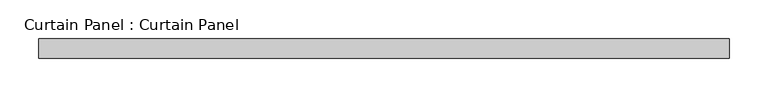
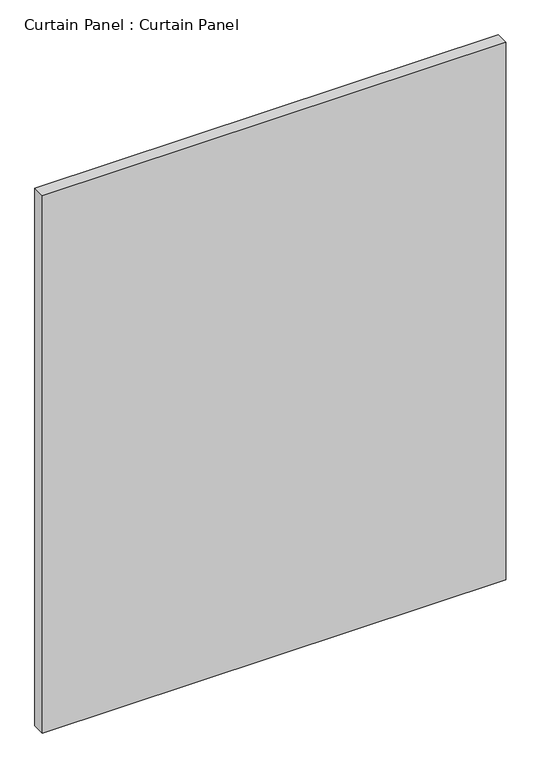
"""IFC4 building model written with IfcOpenShell, lengths in millimetres: plate geometry, Curtain Panel : Curtain Panel."""

from ifc_helpers import new_model, si_unit, frame, origin, place, context, project, spatial, polyline, outline, extrude, source, transform, mapped, element, save


def curtain_panel_curtain_panel_fc185714(model_context):
    return source(origin(), model_context, "Body", "SweptSolid", [
        extrude(outline(polyline([(-36229.4695566, -1996.9602036), (-37124.8193302, -1996.9602036), (-37124.8193302, -1971.5602036), (-36229.4695566, -1971.5602036), (-36229.4695566, -1996.9602036)])), frame((0.0, 0.0, -622.8354492), z_axis=(0.0, 0.0, 1.0), x_axis=(1.0, 0.0, 0.0)), (0.0, 0.0, 1.0), 1098.2140306),
    ])


if __name__ == "__main__":
    model = new_model("IFC4")
    model_context = context("Model", 3, world=origin())
    ifc_project = project(units=[si_unit("LENGTHUNIT", "METRE", prefix="MILLI")], contexts=[model_context])
    site = spatial("IfcSite", under=ifc_project)
    building = spatial("IfcBuilding", under=site)
    placement = place(None, origin())
    curtain_panel_curtain_panel_shape = curtain_panel_curtain_panel_fc185714(model_context)
    element("IfcPlate", 1, ObjectType="Curtain Panel : Curtain Panel", at=placement, inside=building, context=model_context, shape_type="MappedRepresentation", body=[
        mapped(curtain_panel_curtain_panel_shape, transform((0.0, 0.0, 0.0), x_axis=(1.0, 0.0, 0.0), y_axis=(0.0, 1.0, 0.0), z_axis=(0.0, 0.0, 1.0))),
    ])
    save(model, "model.ifc")
